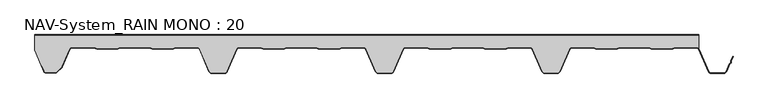
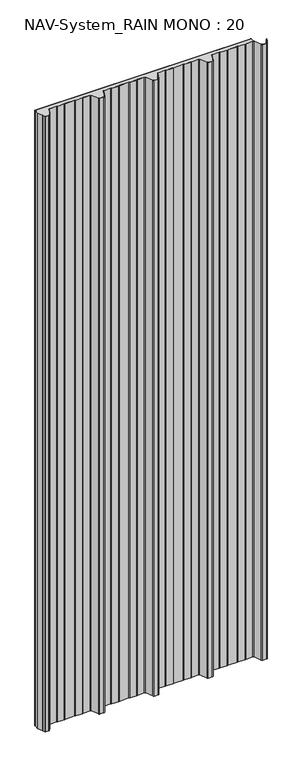
"""IFC4 building model written with IfcOpenShell, lengths in millimetres: plate geometry, NAV-System_RAIN MONO : 20."""

from ifc_helpers import new_model, si_unit, point, frame_2d, origin, origin_with_axes, place, context, project, spatial, polyline, circle_curve, trimmed, segment, composite_curve, outline, extrude, source, transform, mapped, element, save


def nav_system_rain_mono_20_240d1333(model_context):
    return source(origin(), model_context, "Body", "SweptSolid", [
        extrude(outline(polyline([(519.0, -0.8), (-478.0, -0.8), (-478.0, 0.0), (519.0, 0.0), (519.0, -0.8)])), origin_with_axes(), (0.0, 0.0, 1.0), 3000.0),
        extrude(outline(composite_curve([segment(trimmed(circle_curve(frame_2d((515.5898022, -24.0)), 4.8), [point((519.0, -20.6220493))], [point((515.5898022, -19.2))], True, "CARTESIAN"), True, "CONTINUOUS"), segment(polyline([(515.5898022, -19.2), (483.6922468, -19.2), (479.6508228, -20.7), (448.0723788, -20.6741102), (444.1768702, -19.2), (400.3589135, -19.2), (396.3174895, -20.7), (364.7390455, -20.6741102), (360.8435369, -19.2), (328.9416341, -19.2)]), True, "CONTINUOUS"), segment(trimmed(circle_curve(frame_2d((328.9416341, -24.0)), 4.8), [point((328.9416341, -19.2))], [point((324.5314363, -22.1052295))], True, "CARTESIAN"), True, "CONTINUOUS"), segment(polyline([(324.5314363, -22.1052295), (310.330878, -55.1579242)]), True, "CONTINUOUS"), segment(trimmed(circle_curve(frame_2d((306.4719549, -53.5)), 4.2), [point((310.330878, -55.1579242))], [point((306.4719549, -57.7))], False, "CARTESIAN"), True, "CONTINUOUS"), segment(polyline([(306.4719549, -57.7), (288.0594814, -57.7)]), True, "CONTINUOUS"), segment(trimmed(circle_curve(frame_2d((288.0594814, -53.5)), 4.2), [point((288.0594814, -57.7))], [point((284.2005583, -55.1579242))], False, "CARTESIAN"), True, "CONTINUOUS"), segment(polyline([(284.2005583, -55.1579242), (270.0, -22.1052295)]), True, "CONTINUOUS"), segment(trimmed(circle_curve(frame_2d((265.5898022, -24.0)), 4.8), [point((270.0, -22.1052295))], [point((265.5898022, -19.2))], True, "CARTESIAN"), True, "CONTINUOUS"), segment(polyline([(265.5898022, -19.2), (233.6922468, -19.2), (229.6508228, -20.7), (198.0723788, -20.6741102), (194.1768702, -19.2), (150.3589135, -19.2), (146.3174895, -20.7), (114.8074622, -20.7), (110.8435369, -19.2), (78.9416341, -19.2)]), True, "CONTINUOUS"), segment(trimmed(circle_curve(frame_2d((78.9416341, -24.0)), 4.8), [point((78.9416341, -19.2))], [point((74.5314363, -22.1052295))], True, "CARTESIAN"), True, "CONTINUOUS"), segment(polyline([(74.5314363, -22.1052295), (60.330878, -55.1579242)]), True, "CONTINUOUS"), segment(trimmed(circle_curve(frame_2d((56.4719549, -53.5)), 4.2), [point((60.330878, -55.1579242))], [point((56.4719549, -57.7))], False, "CARTESIAN"), True, "CONTINUOUS"), segment(polyline([(56.4719549, -57.7), (38.0594814, -57.7)]), True, "CONTINUOUS"), segment(trimmed(circle_curve(frame_2d((38.0594814, -53.5)), 4.2), [point((38.0594814, -57.7))], [point((34.2005583, -55.1579242))], False, "CARTESIAN"), True, "CONTINUOUS"), segment(polyline([(34.2005583, -55.1579242), (20.0, -22.1052295)]), True, "CONTINUOUS"), segment(trimmed(circle_curve(frame_2d((15.5898022, -24.0)), 4.8), [point((20.0, -22.1052295))], [point((15.5898022, -19.2))], True, "CARTESIAN"), True, "CONTINUOUS"), segment(polyline([(15.5898022, -19.2), (-16.3077532, -19.2), (-20.3491772, -20.7), (-51.9276212, -20.6741102), (-55.8231298, -19.2), (-99.6410865, -19.2), (-103.6825105, -20.7), (-135.1925378, -20.7), (-139.1564631, -19.2), (-171.0583659, -19.2)]), True, "CONTINUOUS"), segment(trimmed(circle_curve(frame_2d((-171.0583659, -24.0)), 4.8), [point((-171.0583659, -19.2))], [point((-175.4685637, -22.1052295))], True, "CARTESIAN"), True, "CONTINUOUS"), segment(polyline([(-175.4685637, -22.1052295), (-189.669122, -55.1579242)]), True, "CONTINUOUS"), segment(trimmed(circle_curve(frame_2d((-193.5280451, -53.5)), 4.2), [point((-189.669122, -55.1579242))], [point((-193.5280451, -57.7))], False, "CARTESIAN"), True, "CONTINUOUS"), segment(polyline([(-193.5280451, -57.7), (-211.9405186, -57.7)]), True, "CONTINUOUS"), segment(trimmed(circle_curve(frame_2d((-211.9405186, -53.5)), 4.2), [point((-211.9405186, -57.7))], [point((-215.7994417, -55.1579242))], False, "CARTESIAN"), True, "CONTINUOUS"), segment(polyline([(-215.7994417, -55.1579242), (-230.0, -22.1052295)]), True, "CONTINUOUS"), segment(trimmed(circle_curve(frame_2d((-234.4101978, -24.0)), 4.8), [point((-230.0, -22.1052295))], [point((-234.4101978, -19.2))], True, "CARTESIAN"), True, "CONTINUOUS"), segment(polyline([(-234.4101978, -19.2), (-266.3077532, -19.2), (-270.3491772, -20.7), (-301.9276212, -20.6741102), (-305.8231298, -19.2), (-349.6410865, -19.2), (-353.6825105, -20.7), (-385.1925378, -20.7), (-389.1564631, -19.2), (-421.9290751, -19.2)]), True, "CONTINUOUS"), segment(trimmed(circle_curve(frame_2d((-421.9290751, -24.0)), 4.8), [point((-421.9290751, -19.2))], [point((-426.3392729, -22.1052295))], True, "CARTESIAN"), True, "CONTINUOUS"), segment(polyline([(-426.3392729, -22.1052295), (-437.4245651, -47.9069459)]), True, "CONTINUOUS"), segment(trimmed(circle_curve(frame_2d((-441.2834882, -46.2490217)), 4.2), [point((-437.4245651, -47.9069459))], [point((-438.3136397, -49.2188701))], False, "CARTESIAN"), True, "CONTINUOUS"), segment(polyline([(-438.3136397, -49.2188701), (-444.764618, -55.6698485)]), True, "CONTINUOUS"), segment(trimmed(circle_curve(frame_2d((-447.7344665, -52.7)), 4.2), [point((-444.764618, -55.6698485))], [point((-447.7344665, -56.9))], False, "CARTESIAN"), True, "CONTINUOUS"), segment(polyline([(-447.7344665, -56.9), (-461.1405186, -56.9)]), True, "CONTINUOUS"), segment(trimmed(circle_curve(frame_2d((-461.1405186, -53.7)), 3.2), [point((-461.1405186, -56.9))], [point((-464.1022482, -54.9116756))], False, "CARTESIAN"), True, "CONTINUOUS"), segment(polyline([(-464.1022482, -54.9116756), (-467.6292254, -46.2905951), (-468.3696578, -46.593514), (-478.0, -23.053822), (-478.0, -0.8), (519.0, -0.8), (519.0, -20.6220493)]), True, "CONTINUOUS")], self_intersect=False)), origin_with_axes(), (0.0, 0.0, 1.0), 3000.0),
        extrude(outline(composite_curve([segment(polyline([(-464.8430228, -55.2145945), (-468.37, -46.593514), (-467.6295676, -46.2905951), (-464.1025904, -54.9116756)]), True, "CONTINUOUS"), segment(trimmed(circle_curve(frame_2d((-461.1408608, -53.7)), 3.2), [point((-464.1025904, -54.9116756))], [point((-461.1408608, -56.9))], True, "CARTESIAN"), True, "CONTINUOUS"), segment(polyline([(-461.1408608, -56.9), (-447.7348087, -56.9)]), True, "CONTINUOUS"), segment(trimmed(circle_curve(frame_2d((-447.7348087, -52.7)), 4.2), [point((-447.7348087, -56.9))], [point((-444.7649603, -55.6698485))], True, "CARTESIAN"), True, "CONTINUOUS"), segment(polyline([(-444.7649603, -55.6698485), (-438.3139819, -49.2188701)]), True, "CONTINUOUS"), segment(trimmed(circle_curve(frame_2d((-441.2838304, -46.2490217)), 4.2), [point((-438.3139819, -49.2188701))], [point((-437.4249073, -47.9069459))], True, "CARTESIAN"), True, "CONTINUOUS"), segment(polyline([(-437.4249073, -47.9069459), (-426.3396151, -22.1052295)]), True, "CONTINUOUS"), segment(trimmed(circle_curve(frame_2d((-421.9294173, -24.0)), 4.8), [point((-426.3396151, -22.1052295))], [point((-421.9294173, -19.2))], False, "CARTESIAN"), True, "CONTINUOUS"), segment(polyline([(-421.9294173, -19.2), (-389.1568054, -19.2), (-385.19288, -20.7), (-353.6828527, -20.7), (-349.6414287, -19.2), (-305.8234721, -19.2), (-301.9279634, -20.6741102), (-270.3495194, -20.7), (-266.3080954, -19.2), (-234.41054, -19.2)]), True, "CONTINUOUS"), segment(trimmed(circle_curve(frame_2d((-234.41054, -24.0)), 4.8), [point((-234.41054, -19.2))], [point((-230.0003422, -22.1052295))], False, "CARTESIAN"), True, "CONTINUOUS"), segment(polyline([(-230.0003422, -22.1052295), (-215.7997839, -55.1579242)]), True, "CONTINUOUS"), segment(trimmed(circle_curve(frame_2d((-211.9408608, -53.5)), 4.2), [point((-215.7997839, -55.1579242))], [point((-211.9408608, -57.7))], True, "CARTESIAN"), True, "CONTINUOUS"), segment(polyline([(-211.9408608, -57.7), (-193.5283873, -57.7)]), True, "CONTINUOUS"), segment(trimmed(circle_curve(frame_2d((-193.5283873, -53.5)), 4.2), [point((-193.5283873, -57.7))], [point((-189.6694642, -55.1579242))], True, "CARTESIAN"), True, "CONTINUOUS"), segment(polyline([(-189.6694642, -55.1579242), (-175.4689059, -22.1052295)]), True, "CONTINUOUS"), segment(trimmed(circle_curve(frame_2d((-171.0587081, -24.0)), 4.8), [point((-175.4689059, -22.1052295))], [point((-171.0587081, -19.2))], False, "CARTESIAN"), True, "CONTINUOUS"), segment(polyline([(-171.0587081, -19.2), (-139.1568054, -19.2), (-135.2612967, -20.6741102), (-103.6828527, -20.7), (-99.6414287, -19.2), (-55.8234721, -19.2), (-51.9279634, -20.6741102), (-20.3495194, -20.7), (-16.3080954, -19.2), (15.58946, -19.2)]), True, "CONTINUOUS"), segment(trimmed(circle_curve(frame_2d((15.58946, -24.0)), 4.8), [point((15.58946, -19.2))], [point((19.9996578, -22.1052295))], False, "CARTESIAN"), True, "CONTINUOUS"), segment(polyline([(19.9996578, -22.1052295), (34.2002161, -55.1579242)]), True, "CONTINUOUS"), segment(trimmed(circle_curve(frame_2d((38.0591392, -53.5)), 4.2), [point((34.2002161, -55.1579242))], [point((38.0591392, -57.7))], True, "CARTESIAN"), True, "CONTINUOUS"), segment(polyline([(38.0591392, -57.7), (56.4716127, -57.7)]), True, "CONTINUOUS"), segment(trimmed(circle_curve(frame_2d((56.4716127, -53.5)), 4.2), [point((56.4716127, -57.7))], [point((60.3305358, -55.1579242))], True, "CARTESIAN"), True, "CONTINUOUS"), segment(polyline([(60.3305358, -55.1579242), (74.5310941, -22.1052295)]), True, "CONTINUOUS"), segment(trimmed(circle_curve(frame_2d((78.9412919, -24.0)), 4.8), [point((74.5310941, -22.1052295))], [point((78.9412919, -19.2))], False, "CARTESIAN"), True, "CONTINUOUS"), segment(polyline([(78.9412919, -19.2), (110.8431946, -19.2), (114.7387033, -20.6741102), (146.3171473, -20.7), (150.3585713, -19.2), (194.1765279, -19.2), (198.0720366, -20.6741102), (229.6504806, -20.7), (233.6919046, -19.2), (265.58946, -19.2)]), True, "CONTINUOUS"), segment(trimmed(circle_curve(frame_2d((265.58946, -24.0)), 4.8), [point((265.58946, -19.2))], [point((269.9996578, -22.1052295))], False, "CARTESIAN"), True, "CONTINUOUS"), segment(polyline([(269.9996578, -22.1052295), (284.2002161, -55.1579242)]), True, "CONTINUOUS"), segment(trimmed(circle_curve(frame_2d((288.0591392, -53.5)), 4.2), [point((284.2002161, -55.1579242))], [point((288.0591392, -57.7))], True, "CARTESIAN"), True, "CONTINUOUS"), segment(polyline([(288.0591392, -57.7), (306.4716127, -57.7)]), True, "CONTINUOUS"), segment(trimmed(circle_curve(frame_2d((306.4716127, -53.5)), 4.2), [point((306.4716127, -57.7))], [point((310.3305358, -55.1579242))], True, "CARTESIAN"), True, "CONTINUOUS"), segment(polyline([(310.3305358, -55.1579242), (324.5310941, -22.1052295)]), True, "CONTINUOUS"), segment(trimmed(circle_curve(frame_2d((328.9412919, -24.0)), 4.8), [point((324.5310941, -22.1052295))], [point((328.9412919, -19.2))], False, "CARTESIAN"), True, "CONTINUOUS"), segment(polyline([(328.9412919, -19.2), (360.8431946, -19.2), (364.7387033, -20.6741102), (396.3171473, -20.7), (400.3585713, -19.2), (444.1765279, -19.2), (448.0720366, -20.6741102), (479.6504806, -20.7), (483.6919046, -19.2), (515.58946, -19.2)]), True, "CONTINUOUS"), segment(trimmed(circle_curve(frame_2d((515.58946, -24.0)), 4.8), [point((515.58946, -19.2))], [point((519.9996578, -22.1052295))], False, "CARTESIAN"), True, "CONTINUOUS"), segment(polyline([(519.9996578, -22.1052295), (534.2002161, -55.1579242)]), True, "CONTINUOUS"), segment(trimmed(circle_curve(frame_2d((538.0591392, -53.5)), 4.2), [point((534.2002161, -55.1579242))], [point((538.0591392, -57.7))], True, "CARTESIAN"), True, "CONTINUOUS"), segment(polyline([(538.0591392, -57.7), (556.4716127, -57.7)]), True, "CONTINUOUS"), segment(trimmed(circle_curve(frame_2d((556.4716127, -53.5)), 4.2), [point((556.4716127, -57.7))], [point((560.3305358, -55.1579242))], True, "CARTESIAN"), True, "CONTINUOUS"), segment(polyline([(560.3305358, -55.1579242), (565.2356202, -43.741031), (567.1121268, -42.0654564), (567.0358547, -39.5508717), (570.0831709, -32.458051), (570.8182039, -32.7738461), (567.8408612, -39.703799), (567.9230626, -42.4138642), (565.9006789, -44.2196957), (561.0655687, -55.4737193)]), True, "CONTINUOUS"), segment(trimmed(circle_curve(frame_2d((556.4716127, -53.5)), 5.0), [point((561.0655687, -55.4737193))], [point((556.4716127, -58.5))], False, "CARTESIAN"), True, "CONTINUOUS"), segment(polyline([(556.4716127, -58.5), (538.0591392, -58.5)]), True, "CONTINUOUS"), segment(trimmed(circle_curve(frame_2d((538.0591392, -53.5)), 5.0), [point((538.0591392, -58.5))], [point((533.4651831, -55.4737193))], False, "CARTESIAN"), True, "CONTINUOUS"), segment(polyline([(533.4651831, -55.4737193), (519.2646248, -22.4210246)]), True, "CONTINUOUS"), segment(trimmed(circle_curve(frame_2d((515.58946, -24.0)), 4.0), [point((519.2646248, -22.4210246))], [point((515.58946, -20.0))], True, "CARTESIAN"), True, "CONTINUOUS"), segment(polyline([(515.58946, -20.0), (483.8338601, -20.0), (479.8699347, -21.5), (447.9941505, -21.5), (444.0302251, -20.0), (400.5005268, -20.0), (396.5366014, -21.5), (364.6608172, -21.5), (360.6968918, -20.0), (328.9412919, -20.0)]), True, "CONTINUOUS"), segment(trimmed(circle_curve(frame_2d((328.9412919, -24.0)), 4.0), [point((328.9412919, -20.0))], [point((325.2661271, -22.4210246))], True, "CARTESIAN"), True, "CONTINUOUS"), segment(polyline([(325.2661271, -22.4210246), (311.0655687, -55.4737193)]), True, "CONTINUOUS"), segment(trimmed(circle_curve(frame_2d((306.4716127, -53.5)), 5.0), [point((311.0655687, -55.4737193))], [point((306.4716127, -58.5))], False, "CARTESIAN"), True, "CONTINUOUS"), segment(polyline([(306.4716127, -58.5), (288.0591392, -58.5)]), True, "CONTINUOUS"), segment(trimmed(circle_curve(frame_2d((288.0591392, -53.5)), 5.0), [point((288.0591392, -58.5))], [point((283.4651831, -55.4737193))], False, "CARTESIAN"), True, "CONTINUOUS"), segment(polyline([(283.4651831, -55.4737193), (269.2646248, -22.4210246)]), True, "CONTINUOUS"), segment(trimmed(circle_curve(frame_2d((265.58946, -24.0)), 4.0), [point((269.2646248, -22.4210246))], [point((265.58946, -20.0))], True, "CARTESIAN"), True, "CONTINUOUS"), segment(polyline([(265.58946, -20.0), (233.8338601, -20.0), (229.8699347, -21.5), (197.9941505, -21.5), (194.0302251, -20.0), (150.5005268, -20.0), (146.5366014, -21.5), (114.6608172, -21.5), (110.6968918, -20.0), (78.9412919, -20.0)]), True, "CONTINUOUS"), segment(trimmed(circle_curve(frame_2d((78.9412919, -24.0)), 4.0), [point((78.9412919, -20.0))], [point((75.2661271, -22.4210246))], True, "CARTESIAN"), True, "CONTINUOUS"), segment(polyline([(75.2661271, -22.4210246), (61.0655687, -55.4737193)]), True, "CONTINUOUS"), segment(trimmed(circle_curve(frame_2d((56.4716127, -53.5)), 5.0), [point((61.0655687, -55.4737193))], [point((56.4716127, -58.5))], False, "CARTESIAN"), True, "CONTINUOUS"), segment(polyline([(56.4716127, -58.5), (38.0591392, -58.5)]), True, "CONTINUOUS"), segment(trimmed(circle_curve(frame_2d((38.0591392, -53.5)), 5.0), [point((38.0591392, -58.5))], [point((33.4651831, -55.4737193))], False, "CARTESIAN"), True, "CONTINUOUS"), segment(polyline([(33.4651831, -55.4737193), (19.2646248, -22.4210246)]), True, "CONTINUOUS"), segment(trimmed(circle_curve(frame_2d((15.58946, -24.0)), 4.0), [point((19.2646248, -22.4210246))], [point((15.58946, -20.0))], True, "CARTESIAN"), True, "CONTINUOUS"), segment(polyline([(15.58946, -20.0), (-16.1661399, -20.0), (-20.1300653, -21.5), (-52.0058495, -21.5), (-55.9697749, -20.0), (-99.4994732, -20.0), (-103.4633986, -21.5), (-135.3391828, -21.5), (-139.3031082, -20.0), (-171.0587081, -20.0)]), True, "CONTINUOUS"), segment(trimmed(circle_curve(frame_2d((-171.0587081, -24.0)), 4.0), [point((-171.0587081, -20.0))], [point((-174.7338729, -22.4210246))], True, "CARTESIAN"), True, "CONTINUOUS"), segment(polyline([(-174.7338729, -22.4210246), (-188.9344313, -55.4737193)]), True, "CONTINUOUS"), segment(trimmed(circle_curve(frame_2d((-193.5283873, -53.5)), 5.0), [point((-188.9344313, -55.4737193))], [point((-193.5283873, -58.5))], False, "CARTESIAN"), True, "CONTINUOUS"), segment(polyline([(-193.5283873, -58.5), (-211.9408608, -58.5)]), True, "CONTINUOUS"), segment(trimmed(circle_curve(frame_2d((-211.9408608, -53.5)), 5.0), [point((-211.9408608, -58.5))], [point((-216.5348169, -55.4737193))], False, "CARTESIAN"), True, "CONTINUOUS"), segment(polyline([(-216.5348169, -55.4737193), (-230.7353752, -22.4210246)]), True, "CONTINUOUS"), segment(trimmed(circle_curve(frame_2d((-234.41054, -24.0)), 4.0), [point((-230.7353752, -22.4210246))], [point((-234.41054, -20.0))], True, "CARTESIAN"), True, "CONTINUOUS"), segment(polyline([(-234.41054, -20.0), (-266.1661399, -20.0), (-270.1300653, -21.5), (-302.0058495, -21.5), (-305.9697749, -20.0), (-349.4994732, -20.0), (-353.4633986, -21.5), (-385.3391828, -21.5), (-389.3031082, -20.0), (-421.9294173, -20.0)]), True, "CONTINUOUS"), segment(trimmed(circle_curve(frame_2d((-421.9294173, -24.0)), 4.0), [point((-421.9294173, -20.0))], [point((-425.6045822, -22.4210246))], True, "CARTESIAN"), True, "CONTINUOUS"), segment(polyline([(-425.6045822, -22.4210246), (-436.6898744, -48.2227409)]), True, "CONTINUOUS"), segment(trimmed(circle_curve(frame_2d((-441.2838304, -46.2490217)), 5.0), [point((-436.6898744, -48.2227409))], [point((-437.7482965, -49.7845556))], False, "CARTESIAN"), True, "CONTINUOUS"), segment(polyline([(-437.7482965, -49.7845556), (-444.1992748, -56.2355339)]), True, "CONTINUOUS"), segment(trimmed(circle_curve(frame_2d((-447.7348087, -52.7)), 5.0), [point((-444.1992748, -56.2355339))], [point((-447.7348087, -57.7))], False, "CARTESIAN"), True, "CONTINUOUS"), segment(polyline([(-447.7348087, -57.7), (-461.1408608, -57.7)]), True, "CONTINUOUS"), segment(trimmed(circle_curve(frame_2d((-461.1408608, -53.7)), 4.0), [point((-461.1408608, -57.7))], [point((-464.8430228, -55.2145945))], False, "CARTESIAN"), True, "CONTINUOUS")], self_intersect=False)), origin_with_axes(), (0.0, 0.0, 1.0), 3000.0),
    ])


if __name__ == "__main__":
    model = new_model("IFC4")
    model_context = context("Model", 3, world=origin())
    ifc_project = project(units=[si_unit("LENGTHUNIT", "METRE", prefix="MILLI")], contexts=[model_context])
    site = spatial("IfcSite", under=ifc_project)
    building = spatial("IfcBuilding", under=site)
    placement = place(None, origin())
    nav_system_rain_mono_20_shape = nav_system_rain_mono_20_240d1333(model_context)
    element("IfcPlate", 1, ObjectType="NAV-System_RAIN MONO : 20", at=placement, inside=building, context=model_context, shape_type="MappedRepresentation", body=[
        mapped(nav_system_rain_mono_20_shape, transform((0.0, 0.0, 0.0), x_axis=(1.0, 0.0, 0.0), y_axis=(0.0, 1.0, 0.0), z_axis=(0.0, 0.0, 1.0))),
    ])
    save(model, "model.ifc")
